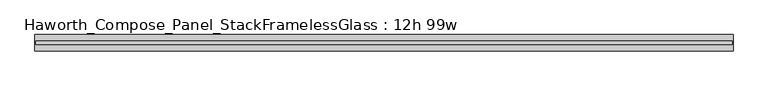
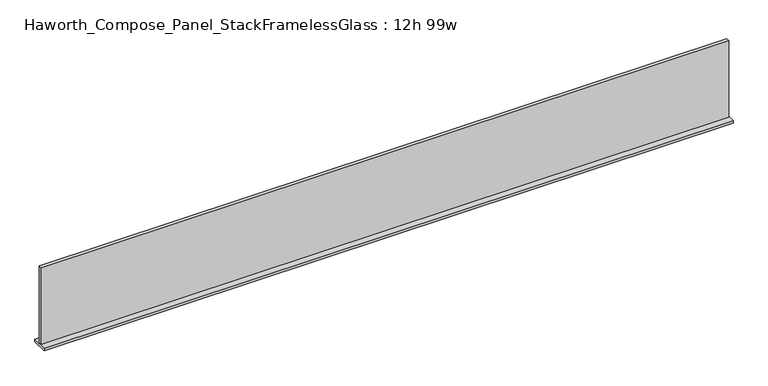
"""IFC4 building model written with IfcOpenShell, lengths in millimetres: furniture geometry, Haworth_Compose_Panel_StackFramelessGlass : 12h 99w."""

from ifc_helpers import new_model, si_unit, frame, origin, place, context, project, spatial, polyline, outline, extrude, source, transform, mapped, element, save


def haworth_compose_panel_stackframelessglass_12h_99w_6467128f(model_context):
    return source(origin(), model_context, "Body", "SweptSolid", [
        extrude(outline(polyline([(1256.5652902, -27.3093594), (-1251.6847098, -27.3093594), (-1251.6847098, -14.6093594), (1256.5652902, -14.6093594), (1256.5652902, -27.3093594)])), frame((0.0, 0.0, 1279.525), z_axis=(0.0, 0.0, 1.0), x_axis=(1.0, 0.0, 0.0)), (0.0, 0.0, 1.0), 295.275),
        extrude(outline(polyline([(-1254.8597098, -50.3281094), (-1254.8597098, 8.4093906), (1259.7402902, 8.4093906), (1259.7402902, -50.3281094), (-1254.8597098, -50.3281094)])), frame((0.0, 0.0, 1270.0), z_axis=(0.0, 0.0, 1.0), x_axis=(1.0, 0.0, 0.0)), (0.0, 0.0, 1.0), 9.525),
    ])


if __name__ == "__main__":
    model = new_model("IFC4")
    model_context = context("Model", 3, world=origin())
    ifc_project = project(units=[si_unit("LENGTHUNIT", "METRE", prefix="MILLI")], contexts=[model_context])
    site = spatial("IfcSite", under=ifc_project)
    building = spatial("IfcBuilding", under=site)
    placement = place(None, origin())
    haworth_compose_panel_stackframelessglass_12h_99w_shape = haworth_compose_panel_stackframelessglass_12h_99w_6467128f(model_context)
    element("IfcFurniture", 1, ObjectType="Haworth_Compose_Panel_StackFramelessGlass : 12h 99w", at=placement, inside=building, context=model_context, shape_type="MappedRepresentation", body=[
        mapped(haworth_compose_panel_stackframelessglass_12h_99w_shape, transform((0.0, 0.0, 0.0), x_axis=(1.0, 0.0, 0.0), y_axis=(0.0, 1.0, 0.0), z_axis=(0.0, 0.0, 1.0))),
    ])
    save(model, "model.ifc")
